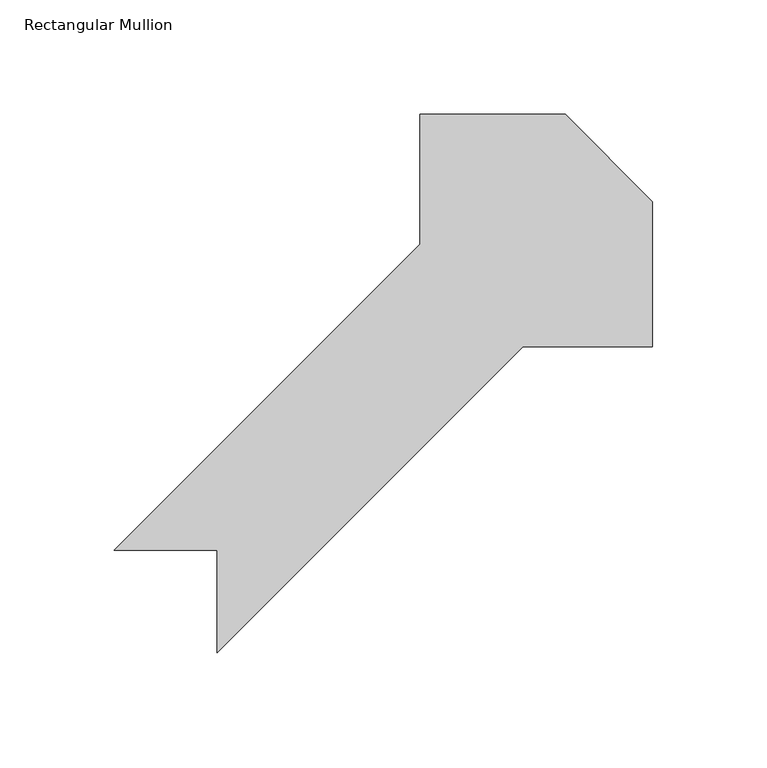
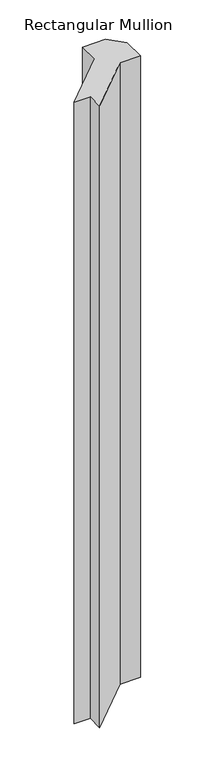
"""IFC4 building model written with IfcOpenShell, lengths in millimetres: member geometry, Rectangular Mullion."""

from ifc_helpers import new_model, si_unit, frame, origin, place, context, project, spatial, polyline, outline, extrude, source, transform, mapped, element, save


def rectangular_mullion_df0fed00(model_context):
    return source(origin(), model_context, "Body", "SweptSolid", [
        extrude(outline(polyline([(-152.3544391, -197.3012806), (-152.3544391, -152.4), (-197.2557197, -152.4), (-63.4544391, -18.5987194), (-63.4544391, 38.1), (0.0455519, 38.1), (38.1455609, -9e-06), (38.1455609, -63.5), (-18.5531585, -63.5), (-152.3544391, -197.3012806)])), frame((0.0, 0.0, -1828.8), z_axis=(0.0, 0.0, 1.0), x_axis=(1.0, 0.0, 0.0)), (0.0, 0.0, 1.0), 1828.8),
    ])


if __name__ == "__main__":
    model = new_model("IFC4")
    model_context = context("Model", 3, world=origin())
    ifc_project = project(units=[si_unit("LENGTHUNIT", "METRE", prefix="MILLI")], contexts=[model_context])
    site = spatial("IfcSite", under=ifc_project)
    building = spatial("IfcBuilding", under=site)
    placement = place(None, origin())
    rectangular_mullion_shape = rectangular_mullion_df0fed00(model_context)
    element("IfcMember", 1, ObjectType="Rectangular Mullion", at=placement, inside=building, context=model_context, shape_type="MappedRepresentation", body=[
        mapped(rectangular_mullion_shape, transform((0.0, 0.0, 0.0), x_axis=(1.0, 0.0, 0.0), y_axis=(0.0, 1.0, 0.0), z_axis=(0.0, 0.0, 1.0))),
    ])
    save(model, "model.ifc")
